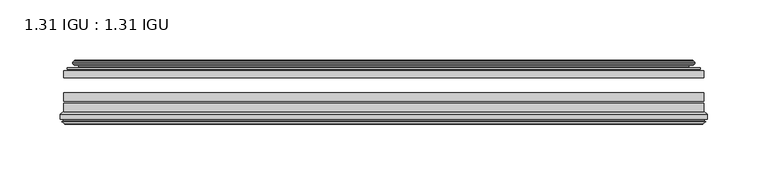
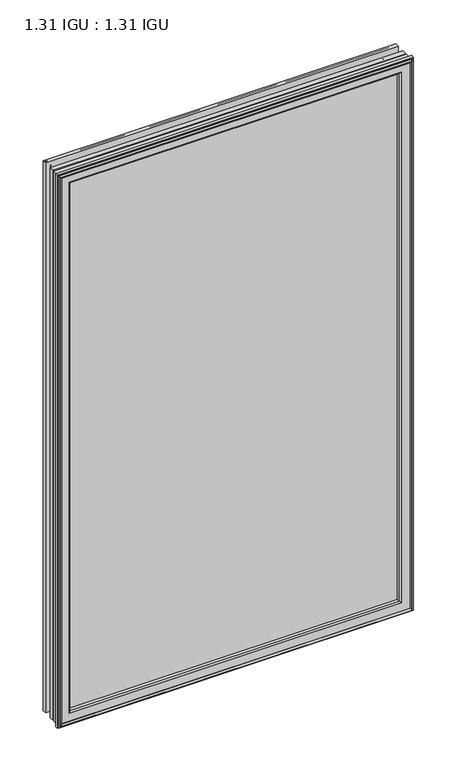
"""IFC4 building model written with IfcOpenShell, lengths in millimetres: plate geometry, 1.31 IGU : 1.31 IGU."""

from ifc_helpers import new_model, si_unit, frame, origin, place, context, project, spatial, polyline, ellipse_curve, outline, extrude, source, transform, mapped, element, save
from ifc_brep_helpers import plane_surface, cylinder_surface, revolved_surface, advanced_brep


def plate_1_31_igu_1_31_igu_58f87985(model_context):
    return source(origin(), model_context, "Body", "SolidModel", [
        extrude(outline(polyline([(265.1078362, -44.8960875), (265.1078362, -50.4332875), (-265.1127713, -50.4332875), (-265.1127713, -44.8960875), (265.1078362, -44.8960875)])), frame((0.0, 0.0, -14.2875), z_axis=(0.0, 0.0, 1.0), x_axis=(1.0, 0.0, 0.0)), (0.0, 0.0, 1.0), 873.125),
        extrude(outline(polyline([(-265.1127713, -78.7796875), (-265.1127713, -71.7692875), (265.1078362, -71.7692875), (265.1078362, -78.7796875), (-265.1127713, -78.7796875)])), frame((0.0, 0.0, -14.2875), z_axis=(0.0, 0.0, 1.0), x_axis=(1.0, 0.0, 0.0)), (0.0, 0.0, 1.0), 873.125),
        extrude(outline(polyline([(-265.1127713, -70.2452875), (-265.1127713, -63.1332875), (265.1078362, -63.1332875), (265.1078362, -70.2452875), (-265.1127713, -70.2452875)])), frame((0.0, 0.0, -14.2875), z_axis=(0.0, 0.0, 1.0), x_axis=(1.0, 0.0, 0.0)), (0.0, 0.0, 1.0), 873.125),
        advanced_brep(
        [(-255.7674468, -37.7373382, 849.4921755), (-250.8258138, -36.3108875, 844.5505426), (-250.8258138, -36.3108875, -0.0005426), (-255.7674468, -37.7373382, -4.9421755), (-255.6023415, -36.9605789, 849.3270702), (-255.6023415, -36.9605789, -4.7770702), (-256.1978272, -36.4771203, 849.9225559), (-256.1978272, -36.4771203, -5.3725559), (-257.462463, -37.766076, 851.1871917), (-257.462463, -37.766076, -6.6371917), (-257.4516462, -38.8797852, 851.1763749), (-257.4516462, -38.8797852, -6.6263749), (-256.170161, -40.1361433, 849.8948897), (-256.170161, -40.1361433, -5.3448897), (-255.5651542, -39.649943, 849.2898829), (-255.5651542, -39.649943, -4.7398829), (-256.1191684, -39.0959287, 849.8438972), (-256.1191684, -39.0959287, -5.2938972), (-253.83336, -38.7029881, 847.5580887), (-253.83336, -38.7029881, -3.0080887), (-252.3742869, -40.2107282, 846.0990157), (-252.3742869, -40.2107282, -1.5490157), (-252.6708689, -41.651269, 846.3955976), (-252.6708689, -41.651269, -1.8455976), (-253.4420933, -42.2798875, 847.1668221), (-253.4420933, -42.2798875, -2.6168221), (-261.7460697, -43.4871542, 855.4707984), (-261.4708682, -42.2798875, 855.1955969), (-261.4708682, -42.2798875, -10.6455969), (-261.7460697, -43.4871542, -10.9207984), (-258.288501, -44.8960875, 852.0132297), (-258.288501, -44.8960875, -7.4632297), (-247.1908772, -44.023302, 840.9156059), (-247.5462152, -44.8960875, 841.2709439), (-247.5462152, -44.8960875, 3.2790561), (-247.1908772, -44.023302, 3.6343941), (-247.8620752, -43.3681812, 841.586804), (-247.8620752, -43.3681812, 2.963196), (-249.5028658, -40.6686056, 843.2275946), (-249.5028658, -40.6686056, 1.3224054), (250.8258138, -36.3108875, -0.0005426), (255.7674468, -37.7373382, -4.9421755), (255.6023415, -36.9605789, -4.7770702), (256.1978272, -36.4771203, -5.3725559), (257.462463, -37.766076, -6.6371917), (257.4516462, -38.8797852, -6.6263749), (256.170161, -40.1361433, -5.3448897), (255.5651542, -39.649943, -4.7398829), (256.1191684, -39.0959287, -5.2938972), (253.83336, -38.7029881, -3.0080887), (252.3742869, -40.2107282, -1.5490157), (252.6708689, -41.651269, -1.8455976), (253.4420933, -42.2798875, -2.6168221), (261.4708682, -42.2798875, -10.6455969), (261.7460697, -43.4871542, -10.9207984), (258.288501, -44.8960875, -7.4632297), (247.5462152, -44.8960875, 3.2790561), (247.1908772, -44.023302, 3.6343941), (247.8620752, -43.3681812, 2.963196), (249.5028658, -40.6686056, 1.3224054), (250.8258138, -36.3108875, 844.5505426), (255.7674468, -37.7373382, 849.4921755), (255.6023415, -36.9605789, 849.3270702), (256.1978272, -36.4771203, 849.9225559), (257.462463, -37.766076, 851.1871917), (257.4516462, -38.8797852, 851.1763749), (256.170161, -40.1361433, 849.8948897), (255.5651542, -39.649943, 849.2898829), (256.1191684, -39.0959287, 849.8438972), (253.83336, -38.7029881, 847.5580887), (252.3742869, -40.2107282, 846.0990157), (252.6708689, -41.651269, 846.3955976), (253.4420933, -42.2798875, 847.1668221), (261.4708682, -42.2798875, 855.1955969), (261.7460697, -43.4871542, 855.4707984), (258.288501, -44.8960875, 852.0132297), (247.5462152, -44.8960875, 841.2709439), (247.1908772, -44.023302, 840.9156059), (247.8620752, -43.3681812, 841.586804), (249.5028658, -40.6686056, 843.2275946)],
        [
            (0, 1),
            (1, 2),
            (2, 3),
            (3, 0),
            (4, 0),
            (3, 5),
            (5, 4),
            (6, 4, ellipse_curve(frame((-255.9228584, -36.746901, 849.6475871), z_axis=(-0.7071067811865475, 0.0, -0.7071067811865475), x_axis=(-0.7071067811865474, 0.0, 0.7071067811865476)), 0.5447741, 0.3852135)),
            (5, 7, ellipse_curve(frame((-255.9228584, -36.746901, -5.0975871), z_axis=(-0.7071067811865475, 0.0, 0.7071067811865475), x_axis=(0.7071067811865474, 0.0, 0.7071067811865476)), 0.5447741, 0.3852135)),
            (7, 6),
            (8, 6),
            (7, 9),
            (9, 8),
            (10, 8, ellipse_curve(frame((-256.9004099, -38.3175243, 850.6251387), z_axis=(-0.7071067811865475, 0.0, -0.7071067811865475), x_axis=(-0.7071067811865474, 0.0, 0.7071067811865476)), 1.1135518, 0.7874)),
            (9, 11, ellipse_curve(frame((-256.9004099, -38.3175243, -6.0751387), z_axis=(-0.7071067811865475, 0.0, 0.7071067811865475), x_axis=(0.7071067811865474, 0.0, 0.7071067811865476)), 1.1135518, 0.7874)),
            (11, 10),
            (12, 10),
            (11, 13),
            (13, 12),
            (14, 12, ellipse_curve(frame((-255.8965635, -39.8570738, 849.6212922), z_axis=(-0.7071067811865475, 0.0, -0.7071067811865475), x_axis=(-0.7071067811865474, 0.0, 0.7071067811865476)), 0.552694, 0.3908137)),
            (13, 15, ellipse_curve(frame((-255.8965635, -39.8570738, -5.0712922), z_axis=(-0.7071067811865475, 0.0, 0.7071067811865475), x_axis=(0.7071067811865474, 0.0, 0.7071067811865476)), 0.552694, 0.3908137)),
            (15, 14),
            (16, 14),
            (15, 17),
            (17, 16),
            (18, 16),
            (17, 19),
            (19, 18),
            (20, 18, ellipse_curve(frame((-253.6181974, -39.954629, 847.3429261), z_axis=(0.7071067811865475, 0.0, 0.7071067811865475), x_axis=(0.7071067811865474, 0.0, -0.7071067811865476)), 1.7960512, 1.27)),
            (19, 21, ellipse_curve(frame((-253.6181974, -39.954629, -2.7929261), z_axis=(0.7071067811865475, 0.0, -0.7071067811865475), x_axis=(-0.7071067811865474, 0.0, -0.7071067811865476)), 1.7960512, 1.27)),
            (21, 20),
            (22, 20),
            (21, 23),
            (23, 22),
            (24, 22, ellipse_curve(frame((-253.4420933, -41.4924875, 847.1668221), z_axis=(0.7071067811865475, 0.0, 0.7071067811865475), x_axis=(0.7071067811865474, 0.0, -0.7071067811865476)), 1.1135518, 0.7874)),
            (23, 25, ellipse_curve(frame((-253.4420933, -41.4924875, -2.6168221), z_axis=(0.7071067811865475, 0.0, -0.7071067811865475), x_axis=(-0.7071067811865474, 0.0, -0.7071067811865476)), 1.1135518, 0.7874)),
            (25, 24),
            (26, 27, ellipse_curve(frame((-261.4708682, -42.9148875, 855.1955969), z_axis=(-0.7071067811865475, 0.0, -0.7071067811865475), x_axis=(-0.7071067811865474, 0.0, 0.7071067811865476)), 0.8980256, 0.635)),
            (27, 28),
            (28, 29, ellipse_curve(frame((-261.4708682, -42.9148875, -10.6455969), z_axis=(-0.7071067811865475, 0.0, 0.7071067811865475), x_axis=(0.7071067811865474, 0.0, 0.7071067811865476)), 0.8980256, 0.635)),
            (29, 26),
            (30, 26),
            (29, 31),
            (31, 30),
            (32, 33, ellipse_curve(frame((-247.5462152, -44.3873602, 841.2709439), z_axis=(-0.7071067811865475, 0.0, -0.7071067811865475), x_axis=(-0.7071067811865474, 0.0, 0.7071067811865476)), 0.719449, 0.5087273)),
            (33, 34),
            (34, 35, ellipse_curve(frame((-247.5462152, -44.3873602, 3.2790561), z_axis=(-0.7071067811865475, 0.0, 0.7071067811865475), x_axis=(0.7071067811865474, 0.0, 0.7071067811865476)), 0.719449, 0.5087273)),
            (35, 32),
            (36, 32),
            (35, 37),
            (37, 36),
            (38, 36, ellipse_curve(frame((-243.426701, -38.823959, 837.1514298), z_axis=(0.7071067811865475, 0.0, 0.7071067811865475), x_axis=(0.7071067811865474, 0.0, -0.7071067811865476)), 8.9802561, 6.35)),
            (37, 39, ellipse_curve(frame((-243.426701, -38.823959, 7.3985702), z_axis=(0.7071067811865475, 0.0, -0.7071067811865475), x_axis=(-0.7071067811865474, 0.0, -0.7071067811865476)), 8.9802561, 6.35)),
            (39, 38),
            (1, 38),
            (39, 2),
            (2, 40),
            (40, 41),
            (41, 3),
            (41, 42),
            (42, 5),
            (42, 43, ellipse_curve(frame((255.9228584, -36.746901, -5.0975871), z_axis=(-0.7071067811865475, 0.0, -0.7071067811865475), x_axis=(-0.7071067811865476, 0.0, 0.7071067811865474)), 0.5447741, 0.3852135)),
            (43, 7),
            (43, 44),
            (44, 9),
            (44, 45, ellipse_curve(frame((256.9004099, -38.3175243, -6.0751387), z_axis=(-0.7071067811865475, 0.0, -0.7071067811865475), x_axis=(-0.7071067811865476, 0.0, 0.7071067811865474)), 1.1135518, 0.7874)),
            (45, 11),
            (45, 46),
            (46, 13),
            (46, 47, ellipse_curve(frame((255.8965635, -39.8570738, -5.0712922), z_axis=(-0.7071067811865475, 0.0, -0.7071067811865475), x_axis=(-0.7071067811865476, 0.0, 0.7071067811865474)), 0.552694, 0.3908137)),
            (47, 15),
            (47, 48),
            (48, 17),
            (48, 49),
            (49, 19),
            (49, 50, ellipse_curve(frame((253.6181974, -39.954629, -2.7929261), z_axis=(0.7071067811865475, 0.0, 0.7071067811865475), x_axis=(0.7071067811865476, 0.0, -0.7071067811865474)), 1.7960512, 1.27)),
            (50, 21),
            (50, 51),
            (51, 23),
            (51, 52, ellipse_curve(frame((253.4420933, -41.4924875, -2.6168221), z_axis=(0.7071067811865475, 0.0, 0.7071067811865475), x_axis=(0.7071067811865476, 0.0, -0.7071067811865474)), 1.1135518, 0.7874)),
            (52, 25),
            (28, 53),
            (53, 54, ellipse_curve(frame((261.4708682, -42.9148875, -10.6455969), z_axis=(-0.7071067811865475, 0.0, -0.7071067811865475), x_axis=(-0.7071067811865476, 0.0, 0.7071067811865474)), 0.8980256, 0.635)),
            (54, 29),
            (54, 55),
            (55, 31),
            (34, 56),
            (56, 57, ellipse_curve(frame((247.5462152, -44.3873602, 3.2790561), z_axis=(-0.7071067811865475, 0.0, -0.7071067811865475), x_axis=(-0.7071067811865476, 0.0, 0.7071067811865474)), 0.719449, 0.5087273)),
            (57, 35),
            (57, 58),
            (58, 37),
            (58, 59, ellipse_curve(frame((243.426701, -38.823959, 7.3985702), z_axis=(0.7071067811865475, 0.0, 0.7071067811865475), x_axis=(0.7071067811865476, 0.0, -0.7071067811865474)), 8.9802561, 6.35)),
            (59, 39),
            (59, 40),
            (40, 60),
            (60, 61),
            (61, 41),
            (61, 62),
            (62, 42),
            (62, 63, ellipse_curve(frame((255.9228584, -36.746901, 849.6475871), z_axis=(0.7071067811865475, 0.0, -0.7071067811865475), x_axis=(-0.7071067811865474, 0.0, -0.7071067811865476)), 0.5447741, 0.3852135)),
            (63, 43),
            (63, 64),
            (64, 44),
            (64, 65, ellipse_curve(frame((256.9004099, -38.3175243, 850.6251387), z_axis=(0.7071067811865475, 0.0, -0.7071067811865475), x_axis=(-0.7071067811865474, 0.0, -0.7071067811865476)), 1.1135518, 0.7874)),
            (65, 45),
            (65, 66),
            (66, 46),
            (66, 67, ellipse_curve(frame((255.8965635, -39.8570738, 849.6212922), z_axis=(0.7071067811865475, 0.0, -0.7071067811865475), x_axis=(-0.7071067811865474, 0.0, -0.7071067811865476)), 0.552694, 0.3908137)),
            (67, 47),
            (67, 68),
            (68, 48),
            (68, 69),
            (69, 49),
            (69, 70, ellipse_curve(frame((253.6181974, -39.954629, 847.3429261), z_axis=(-0.7071067811865475, 0.0, 0.7071067811865475), x_axis=(0.7071067811865474, 0.0, 0.7071067811865476)), 1.7960512, 1.27)),
            (70, 50),
            (70, 71),
            (71, 51),
            (71, 72, ellipse_curve(frame((253.4420933, -41.4924875, 847.1668221), z_axis=(-0.7071067811865475, 0.0, 0.7071067811865475), x_axis=(0.7071067811865474, 0.0, 0.7071067811865476)), 1.1135518, 0.7874)),
            (72, 52),
            (53, 73),
            (73, 74, ellipse_curve(frame((261.4708682, -42.9148875, 855.1955969), z_axis=(0.7071067811865475, 0.0, -0.7071067811865475), x_axis=(-0.7071067811865474, 0.0, -0.7071067811865476)), 0.8980256, 0.635)),
            (74, 54),
            (74, 75),
            (75, 55),
            (56, 76),
            (76, 77, ellipse_curve(frame((247.5462152, -44.3873602, 841.2709439), z_axis=(0.7071067811865475, 0.0, -0.7071067811865475), x_axis=(-0.7071067811865474, 0.0, -0.7071067811865476)), 0.719449, 0.5087273)),
            (77, 57),
            (77, 78),
            (78, 58),
            (78, 79, ellipse_curve(frame((243.426701, -38.823959, 837.1514298), z_axis=(-0.7071067811865475, 0.0, 0.7071067811865475), x_axis=(0.7071067811865474, 0.0, 0.7071067811865476)), 8.9802561, 6.35)),
            (79, 59),
            (79, 60),
            (60, 1),
            (0, 61),
            (4, 62),
            (6, 63),
            (8, 64),
            (10, 65),
            (12, 66),
            (14, 67),
            (16, 68),
            (18, 69),
            (20, 70),
            (22, 71),
            (24, 72),
            (27, 73),
            (26, 74),
            (30, 75),
            (33, 76),
            (32, 77),
            (36, 78),
            (38, 79),
        ],
        [
            plane_surface(frame((-250.8258138, -36.3108875, 844.5505426), z_axis=(-0.2773364928492854, 0.9607728502273877, 0.0), x_axis=(0.0, 0.0, -1.0))),
            plane_surface(frame((-255.7674468, -37.7373382, 849.4921755), z_axis=(0.9781476007338358, -0.2079116908176177, 0.0), x_axis=(0.0, 0.0, -1.0))),
            cylinder_surface(frame((-255.9228584, -36.746901, 876.3), z_axis=(0.0, 0.0, 1.0), x_axis=(-1.0, 0.0, 0.0)), 0.3852135),
            plane_surface(frame((-256.1978272, -36.4771203, 849.9225559), z_axis=(-0.7138087599382162, 0.7003406701280928, 0.0), x_axis=(0.0, 0.0, -1.0))),
            cylinder_surface(frame((-256.9004099, -38.3175243, 876.3), z_axis=(0.0, 0.0, 1.0), x_axis=(-1.0, 0.0, 0.0)), 0.7874),
            plane_surface(frame((-257.4516462, -38.8797852, 851.1763749), z_axis=(-0.7000714109283732, -0.7140728391423082, 0.0), x_axis=(0.0, 0.0, -1.0))),
            cylinder_surface(frame((-255.8965635, -39.8570738, 876.3), z_axis=(0.0, 0.0, 1.0), x_axis=(-1.0, 0.0, 0.0)), 0.3908137),
            plane_surface(frame((-255.5651542, -39.649943, 849.2898829), z_axis=(0.7071067811861126, 0.7071067811869826, 0.0), x_axis=(0.0, 0.0, -1.0))),
            plane_surface(frame((-256.1191684, -39.0959287, 849.8438972), z_axis=(0.16941940671011482, -0.9855440449974789, 0.0), x_axis=(0.0, 0.0, -1.0))),
            revolved_surface(polyline([(-254.88819740000002, -39.954629, -4.0629260828783345), (-254.88819740000002, -39.954629, 848.6129260828783)]), (-253.6181974, -39.954629, 876.3), (0.0, 0.0, -1.0)),
            plane_surface(frame((-252.3742869, -40.2107282, 846.0990157), z_axis=(-0.9794570432566897, 0.201652920670302, 0.0), x_axis=(0.0, 0.0, -1.0))),
            revolved_surface(polyline([(-254.2294933, -41.4924875, -3.4042221289824965), (-254.2294933, -41.4924875, 847.9542221289825)]), (-253.4420933, -41.4924875, 876.3), (0.0, 0.0, -1.0)),
            cylinder_surface(frame((-261.4708682, -42.9148875, 876.3), z_axis=(0.0, 0.0, 1.0), x_axis=(-1.0, 0.0, 0.0)), 0.635),
            plane_surface(frame((-261.7460697, -43.4871542, 855.4707984), z_axis=(-0.37736447542757934, -0.9260648209954139, 0.0), x_axis=(0.0, 0.0, -1.0))),
            cylinder_surface(frame((-247.5462152, -44.3873602, 876.3), z_axis=(0.0, 0.0, 1.0), x_axis=(-1.0, 0.0, 0.0)), 0.5087273),
            plane_surface(frame((-247.1908772, -44.023302, 840.9156059), z_axis=(0.698484125849927, 0.7156255486884628, 0.0), x_axis=(0.0, 0.0, -1.0))),
            revolved_surface(polyline([(-249.776701, -38.823959, 1.0485702148981773), (-249.776701, -38.823959, 843.5014297851018)]), (-243.426701, -38.823959, 876.3), (0.0, 0.0, -1.0)),
            plane_surface(frame((-249.5028658, -40.6686056, 843.2275946), z_axis=(0.9568763473517009, 0.2904955350411895, 0.0), x_axis=(0.0, 0.0, -1.0))),
            plane_surface(frame((-250.8258138, -36.3108875, -0.0005426), z_axis=(0.0, 0.9607728502273868, -0.2773364928492885), x_axis=(1.0, 0.0, 0.0))),
            plane_surface(frame((-255.7674468, -37.7373382, -4.9421755), z_axis=(0.0, -0.20791169081761454, 0.9781476007338364), x_axis=(1.0, 0.0, 0.0))),
            cylinder_surface(frame((-282.5752713, -36.746901, -5.0975871), z_axis=(-1.0, 0.0, 0.0), x_axis=(0.0, 0.0, -1.0)), 0.3852135),
            plane_surface(frame((-256.1978272, -36.4771203, -5.3725559), z_axis=(0.0, 0.7003406701280904, -0.7138087599382185), x_axis=(1.0, 0.0, 0.0))),
            cylinder_surface(frame((-282.5752713, -38.3175243, -6.0751387), z_axis=(-1.0, 0.0, 0.0), x_axis=(0.0, 0.0, -1.0)), 0.7874),
            plane_surface(frame((-257.4516462, -38.8797852, -6.6263749), z_axis=(0.0, -0.7140728391423105, -0.7000714109283709), x_axis=(1.0, 0.0, 0.0))),
            cylinder_surface(frame((-282.5752713, -39.8570738, -5.0712922), z_axis=(-1.0, 0.0, 0.0), x_axis=(0.0, 0.0, -1.0)), 0.3908137),
            plane_surface(frame((-255.5651542, -39.649943, -4.7398829), z_axis=(0.0, 0.7071067811869849, 0.7071067811861103), x_axis=(1.0, 0.0, 0.0))),
            plane_surface(frame((-256.1191684, -39.0959287, -5.2938972), z_axis=(0.0, -0.9855440449974784, 0.16941940671011801), x_axis=(1.0, 0.0, 0.0))),
            revolved_surface(polyline([(254.88819738287833, -39.954629, -4.0629261), (-254.88819738287825, -39.954629, -4.0629261)]), (-282.5752713, -39.954629, -2.7929261), (1.0, 0.0, 0.0)),
            plane_surface(frame((-252.3742869, -40.2107282, -1.5490157), z_axis=(0.0, 0.20165292067029883, -0.9794570432566904), x_axis=(1.0, 0.0, 0.0))),
            revolved_surface(polyline([(254.22949332898253, -41.4924875, -3.4042220999999997), (-254.2294933289825, -41.4924875, -3.4042220999999997)]), (-282.5752713, -41.4924875, -2.6168221), (1.0, 0.0, 0.0)),
            cylinder_surface(frame((-282.5752713, -42.9148875, -10.6455969), z_axis=(-1.0, 0.0, 0.0), x_axis=(0.0, 0.0, -1.0)), 0.635),
            plane_surface(frame((-261.7460697, -43.4871542, -10.9207984), z_axis=(0.0, -0.9260648209954151, -0.37736447542757634), x_axis=(1.0, 0.0, 0.0))),
            cylinder_surface(frame((-282.5752713, -44.3873602, 3.2790561), z_axis=(-1.0, 0.0, 0.0), x_axis=(0.0, 0.0, -1.0)), 0.5087273),
            plane_surface(frame((-247.1908772, -44.023302, 3.6343941), z_axis=(0.0, 0.7156255486884651, 0.6984841258499247), x_axis=(1.0, 0.0, 0.0))),
            revolved_surface(polyline([(249.77670098510185, -38.823959, 1.0485702000000003), (-249.77670098510185, -38.823959, 1.0485702000000003)]), (-282.5752713, -38.823959, 7.3985702), (1.0, 0.0, 0.0)),
            plane_surface(frame((-249.5028658, -40.6686056, 1.3224054), z_axis=(0.0, 0.29049553504119263, 0.9568763473517), x_axis=(1.0, 0.0, 0.0))),
            plane_surface(frame((250.8258138, -36.3108875, -0.0005426), z_axis=(0.2773364928492916, 0.9607728502273859, 0.0), x_axis=(0.0, 0.0, 1.0))),
            plane_surface(frame((255.7674468, -37.7373382, -4.9421755), z_axis=(-0.9781476007338371, -0.20791169081761138, 0.0), x_axis=(0.0, 0.0, 1.0))),
            cylinder_surface(frame((255.9228584, -36.746901, -31.75), z_axis=(0.0, 0.0, -1.0), x_axis=(1.0, 0.0, 0.0)), 0.3852135),
            plane_surface(frame((256.1978272, -36.4771203, -5.3725559), z_axis=(0.7138087599382208, 0.7003406701280882, 0.0), x_axis=(0.0, 0.0, 1.0))),
            cylinder_surface(frame((256.9004099, -38.3175243, -31.75), z_axis=(0.0, 0.0, -1.0), x_axis=(1.0, 0.0, 0.0)), 0.7874),
            plane_surface(frame((257.4516462, -38.8797852, -6.6263749), z_axis=(0.7000714109283687, -0.7140728391423128, 0.0), x_axis=(0.0, 0.0, 1.0))),
            cylinder_surface(frame((255.8965635, -39.8570738, -31.75), z_axis=(0.0, 0.0, -1.0), x_axis=(1.0, 0.0, 0.0)), 0.3908137),
            plane_surface(frame((255.5651542, -39.649943, -4.7398829), z_axis=(-0.7071067811861079, 0.7071067811869872, 0.0), x_axis=(0.0, 0.0, 1.0))),
            plane_surface(frame((256.1191684, -39.0959287, -5.2938972), z_axis=(-0.1694194067101212, -0.9855440449974778, 0.0), x_axis=(0.0, 0.0, 1.0))),
            revolved_surface(polyline([(254.88819740000002, -39.954629, 848.6129260828783), (254.88819740000002, -39.954629, -4.062926082878235)]), (253.6181974, -39.954629, -31.75), (0.0, 0.0, 1.0)),
            plane_surface(frame((252.3742869, -40.2107282, -1.5490157), z_axis=(0.979457043256691, 0.20165292067029567, 0.0), x_axis=(0.0, 0.0, 1.0))),
            revolved_surface(polyline([(254.2294933, -41.4924875, 847.9542221289825), (254.2294933, -41.4924875, -3.404222128982486)]), (253.4420933, -41.4924875, -31.75), (0.0, 0.0, 1.0)),
            cylinder_surface(frame((261.4708682, -42.9148875, -31.75), z_axis=(0.0, 0.0, -1.0), x_axis=(1.0, 0.0, 0.0)), 0.635),
            plane_surface(frame((261.7460697, -43.4871542, -10.9207984), z_axis=(0.37736447542757334, -0.9260648209954163, 0.0), x_axis=(0.0, 0.0, 1.0))),
            cylinder_surface(frame((247.5462152, -44.3873602, -31.75), z_axis=(0.0, 0.0, -1.0), x_axis=(1.0, 0.0, 0.0)), 0.5087273),
            plane_surface(frame((247.1908772, -44.023302, 3.6343941), z_axis=(-0.6984841258499224, 0.7156255486884673, 0.0), x_axis=(0.0, 0.0, 1.0))),
            revolved_surface(polyline([(249.776701, -38.823959, 843.5014297851018), (249.776701, -38.823959, 1.0485702148981417)]), (243.426701, -38.823959, -31.75), (0.0, 0.0, 1.0)),
            plane_surface(frame((249.5028658, -40.6686056, 1.3224054), z_axis=(-0.9568763473516991, 0.29049553504119574, 0.0), x_axis=(0.0, 0.0, 1.0))),
            plane_surface(frame((250.8258138, -36.3108875, 844.5505426), z_axis=(0.0, 0.9607728502273868, 0.2773364928492885), x_axis=(-1.0, 0.0, 0.0))),
            plane_surface(frame((255.7674468, -37.7373382, 849.4921755), z_axis=(0.0, -0.20791169081761454, -0.9781476007338364), x_axis=(-1.0, 0.0, 0.0))),
            cylinder_surface(frame((282.5752713, -36.746901, 849.6475871), z_axis=(1.0, 0.0, 0.0), x_axis=(0.0, 0.0, 1.0)), 0.3852135),
            plane_surface(frame((256.1978272, -36.4771203, 849.9225559), z_axis=(0.0, 0.7003406701280904, 0.7138087599382185), x_axis=(-1.0, 0.0, 0.0))),
            cylinder_surface(frame((282.5752713, -38.3175243, 850.6251387), z_axis=(1.0, 0.0, 0.0), x_axis=(0.0, 0.0, 1.0)), 0.7874),
            plane_surface(frame((257.4516462, -38.8797852, 851.1763749), z_axis=(0.0, -0.7140728391423106, 0.700071410928371), x_axis=(-1.0, 0.0, 0.0))),
            cylinder_surface(frame((282.5752713, -39.8570738, 849.6212922), z_axis=(1.0, 0.0, 0.0), x_axis=(0.0, 0.0, 1.0)), 0.3908137),
            plane_surface(frame((255.5651542, -39.649943, 849.2898829), z_axis=(0.0, 0.7071067811869849, -0.7071067811861103), x_axis=(-1.0, 0.0, 0.0))),
            plane_surface(frame((256.1191684, -39.0959287, 849.8438972), z_axis=(0.0, -0.9855440449974784, -0.16941940671011801), x_axis=(-1.0, 0.0, 0.0))),
            revolved_surface(polyline([(-254.88819738287833, -39.954629, 848.6129261), (254.88819738287825, -39.954629, 848.6129261)]), (282.5752713, -39.954629, 847.3429261), (-1.0, 0.0, 0.0)),
            plane_surface(frame((252.3742869, -40.2107282, 846.0990157), z_axis=(0.0, 0.20165292067029883, 0.9794570432566904), x_axis=(-1.0, 0.0, 0.0))),
            revolved_surface(polyline([(-254.22949332898253, -41.4924875, 847.9542221), (254.2294933289825, -41.4924875, 847.9542221)]), (282.5752713, -41.4924875, 847.1668221), (-1.0, 0.0, 0.0)),
            plane_surface(frame((253.4420933, -42.2798875, 847.1668221), z_axis=(0.0, 1.0, 0.0), x_axis=(-1.0, 0.0, 0.0))),
            cylinder_surface(frame((282.5752713, -42.9148875, 855.1955969), z_axis=(1.0, 0.0, 0.0), x_axis=(0.0, 0.0, 1.0)), 0.635),
            plane_surface(frame((261.7460697, -43.4871542, 855.4707984), z_axis=(0.0, -0.9260648209954151, 0.37736447542757634), x_axis=(-1.0, 0.0, 0.0))),
            plane_surface(frame((258.288501, -44.8960875, 852.0132297), z_axis=(0.0, -1.0, 0.0), x_axis=(-1.0, 0.0, 0.0))),
            cylinder_surface(frame((282.5752713, -44.3873602, 841.2709439), z_axis=(1.0, 0.0, 0.0), x_axis=(0.0, 0.0, 1.0)), 0.5087273),
            plane_surface(frame((247.1908772, -44.023302, 840.9156059), z_axis=(0.0, 0.7156255486884651, -0.6984841258499247), x_axis=(-1.0, 0.0, 0.0))),
            revolved_surface(polyline([(-249.77670098510185, -38.823959, 843.5014298), (249.77670098510185, -38.823959, 843.5014298)]), (282.5752713, -38.823959, 837.1514298), (-1.0, 0.0, 0.0)),
            plane_surface(frame((249.5028658, -40.6686056, 843.2275946), z_axis=(0.0, 0.29049553504119263, -0.9568763473517), x_axis=(-1.0, 0.0, 0.0))),
        ],
        [
            (0, [[1, 2, 3, 4]]),
            (1, [[5, -4, 6, 7]]),
            (2, [[8, -7, 9, 10]]),
            (3, [[11, -10, 12, 13]]),
            (4, [[14, -13, 15, 16]]),
            (5, [[17, -16, 18, 19]]),
            (6, [[20, -19, 21, 22]]),
            (7, [[23, -22, 24, 25]]),
            (8, [[26, -25, 27, 28]]),
            (9, [[29, -28, 30, 31]]),
            (10, [[32, -31, 33, 34]]),
            (11, [[35, -34, 36, 37]]),
            (12, [[38, 39, 40, 41]]),
            (13, [[42, -41, 43, 44]]),
            (14, [[45, 46, 47, 48]]),
            (15, [[49, -48, 50, 51]]),
            (16, [[52, -51, 53, 54]]),
            (17, [[55, -54, 56, -2]]),
            (18, [[-3, 57, 58, 59]]),
            (19, [[-6, -59, 60, 61]]),
            (20, [[-9, -61, 62, 63]]),
            (21, [[-12, -63, 64, 65]]),
            (22, [[-15, -65, 66, 67]]),
            (23, [[-18, -67, 68, 69]]),
            (24, [[-21, -69, 70, 71]]),
            (25, [[-24, -71, 72, 73]]),
            (26, [[-27, -73, 74, 75]]),
            (27, [[-30, -75, 76, 77]]),
            (28, [[-33, -77, 78, 79]]),
            (29, [[-36, -79, 80, 81]]),
            (30, [[-40, 82, 83, 84]]),
            (31, [[-43, -84, 85, 86]]),
            (32, [[-47, 87, 88, 89]]),
            (33, [[-50, -89, 90, 91]]),
            (34, [[-53, -91, 92, 93]]),
            (35, [[-56, -93, 94, -57]]),
            (36, [[-58, 95, 96, 97]]),
            (37, [[-60, -97, 98, 99]]),
            (38, [[-62, -99, 100, 101]]),
            (39, [[-64, -101, 102, 103]]),
            (40, [[-66, -103, 104, 105]]),
            (41, [[-68, -105, 106, 107]]),
            (42, [[-70, -107, 108, 109]]),
            (43, [[-72, -109, 110, 111]]),
            (44, [[-74, -111, 112, 113]]),
            (45, [[-76, -113, 114, 115]]),
            (46, [[-78, -115, 116, 117]]),
            (47, [[-80, -117, 118, 119]]),
            (48, [[-83, 120, 121, 122]]),
            (49, [[-85, -122, 123, 124]]),
            (50, [[-88, 125, 126, 127]]),
            (51, [[-90, -127, 128, 129]]),
            (52, [[-92, -129, 130, 131]]),
            (53, [[-94, -131, 132, -95]]),
            (54, [[-96, 133, -1, 134]]),
            (55, [[-98, -134, -5, 135]]),
            (56, [[-100, -135, -8, 136]]),
            (57, [[-102, -136, -11, 137]]),
            (58, [[-104, -137, -14, 138]]),
            (59, [[-106, -138, -17, 139]]),
            (60, [[-108, -139, -20, 140]]),
            (61, [[-110, -140, -23, 141]]),
            (62, [[-112, -141, -26, 142]]),
            (63, [[-114, -142, -29, 143]]),
            (64, [[-116, -143, -32, 144]]),
            (65, [[-118, -144, -35, 145]]),
            (66, [[146, -120, -82, -39], [-81, -119, -145, -37]]),
            (67, [[-121, -146, -38, 147]]),
            (68, [[-123, -147, -42, 148]]),
            (69, [[-86, -124, -148, -44], [149, -125, -87, -46]]),
            (70, [[-126, -149, -45, 150]]),
            (71, [[-128, -150, -49, 151]]),
            (72, [[-130, -151, -52, 152]]),
            (73, [[-132, -152, -55, -133]]),
        ],
    ),
        advanced_brep(
        [(-248.1377207, -83.3389875, 841.8624494), (-249.9127868, -85.1296875, 843.6375155), (-249.9127868, -85.1296875, 0.9124845), (-248.1377207, -83.3389875, 2.6875506), (-247.1145114, -78.7796875, 840.8392401), (-247.1145114, -78.7796875, 3.7107599), (-267.6952204, -80.9740477, 861.4199491), (-265.5008601, -78.7796875, 859.2255889), (-265.5008601, -78.7796875, -14.6755889), (-267.6952204, -80.9740477, -16.8699491), (-267.6952204, -85.1296875, 861.4199491), (-267.6952204, -85.1296875, -16.8699491), (-265.1701602, -86.3747112, 858.8948889), (-265.9213872, -85.1296875, 859.6461159), (-265.9213872, -85.1296875, -15.0961159), (-265.1701602, -86.3747112, -14.3448889), (-264.8606311, -87.6502863, 858.5853598), (-264.8606311, -87.6502863, -14.0353598), (-265.8787445, -87.2076396, 859.6034732), (-265.8787445, -87.2076396, -15.0534732), (-264.1917551, -88.8840626, 857.9164838), (-266.6734545, -87.2076396, 860.3981832), (-266.6734545, -87.2076396, -15.8481832), (-264.1917551, -88.8840626, -13.3664838), (-262.0399297, -86.9401656, 855.7646584), (-262.0399297, -86.9401656, -11.2146584), (-263.7472839, -87.5528811, 857.4720126), (-262.8215027, -86.9401656, 856.5462314), (-262.8215027, -86.9401656, -11.9962314), (-263.7472839, -87.5528811, -12.9220126), (-263.6639585, -86.2429356, 857.3886873), (-263.6639585, -86.2429356, -12.8386873), (-263.0657205, -85.1296875, 856.7904492), (-263.0657205, -85.1296875, -12.2404492), (249.9127868, -85.1296875, 0.9124845), (248.1377207, -83.3389875, 2.6875506), (247.1145114, -78.7796875, 3.7107599), (265.5008601, -78.7796875, -14.6755889), (267.6952204, -80.9740477, -16.8699491), (267.6952204, -85.1296875, -16.8699491), (265.9213872, -85.1296875, -15.0961159), (265.1701602, -86.3747112, -14.3448889), (264.8606311, -87.6502863, -14.0353598), (265.8787445, -87.2076396, -15.0534732), (266.6734545, -87.2076396, -15.8481832), (264.1917551, -88.8840626, -13.3664838), (262.0399297, -86.9401656, -11.2146584), (262.8215027, -86.9401656, -11.9962314), (263.7472839, -87.5528811, -12.9220126), (263.6639585, -86.2429356, -12.8386873), (263.0657205, -85.1296875, -12.2404492), (249.9127868, -85.1296875, 843.6375155), (248.1377207, -83.3389875, 841.8624494), (247.1145114, -78.7796875, 840.8392401), (265.5008601, -78.7796875, 859.2255889), (267.6952204, -80.9740477, 861.4199491), (267.6952204, -85.1296875, 861.4199491), (265.9213872, -85.1296875, 859.6461159), (265.1701602, -86.3747112, 858.8948889), (264.8606311, -87.6502863, 858.5853598), (265.8787445, -87.2076396, 859.6034732), (266.6734545, -87.2076396, 860.3981832), (264.1917551, -88.8840626, 857.9164838), (262.0399297, -86.9401656, 855.7646584), (262.8215027, -86.9401656, 856.5462314), (263.7472839, -87.5528811, 857.4720126), (263.6639585, -86.2429356, 857.3886873), (263.0657205, -85.1296875, 856.7904492)],
        [
            (0, 1, ellipse_curve(frame((-250.1642218, -83.1053133, 843.8889505), z_axis=(-0.7071067811865475, 0.0, -0.7071067811865475), x_axis=(-0.7071067811865474, 0.0, 0.7071067811865476)), 2.8848953, 2.039929)),
            (1, 2),
            (2, 3, ellipse_curve(frame((-250.1642218, -83.1053133, 0.6610495), z_axis=(-0.7071067811865475, 0.0, 0.7071067811865475), x_axis=(0.7071067811865474, 0.0, 0.7071067811865476)), 2.8848953, 2.039929)),
            (3, 0),
            (4, 0),
            (3, 5),
            (5, 4),
            (6, 7),
            (7, 8),
            (8, 9),
            (9, 6),
            (10, 6),
            (9, 11),
            (11, 10),
            (12, 13),
            (13, 14),
            (14, 15),
            (15, 12),
            (16, 12),
            (15, 17),
            (17, 16),
            (18, 16),
            (17, 19),
            (19, 18),
            (20, 21),
            (21, 22),
            (22, 23),
            (23, 20),
            (24, 20),
            (23, 25),
            (25, 24),
            (26, 27),
            (27, 28),
            (28, 29),
            (29, 26),
            (30, 26),
            (29, 31),
            (31, 30),
            (32, 30),
            (31, 33),
            (33, 32),
            (2, 34),
            (34, 35, ellipse_curve(frame((250.1642218, -83.1053133, 0.6610495), z_axis=(-0.7071067811865475, 0.0, -0.7071067811865475), x_axis=(-0.7071067811865476, 0.0, 0.7071067811865474)), 2.8848953, 2.039929)),
            (35, 3),
            (35, 36),
            (36, 5),
            (8, 37),
            (37, 38),
            (38, 9),
            (38, 39),
            (39, 11),
            (14, 40),
            (40, 41),
            (41, 15),
            (41, 42),
            (42, 17),
            (42, 43),
            (43, 19),
            (22, 44),
            (44, 45),
            (45, 23),
            (45, 46),
            (46, 25),
            (28, 47),
            (47, 48),
            (48, 29),
            (48, 49),
            (49, 31),
            (49, 50),
            (50, 33),
            (34, 51),
            (51, 52, ellipse_curve(frame((250.1642218, -83.1053133, 843.8889505), z_axis=(0.7071067811865475, 0.0, -0.7071067811865475), x_axis=(-0.7071067811865474, 0.0, -0.7071067811865476)), 2.8848953, 2.039929)),
            (52, 35),
            (52, 53),
            (53, 36),
            (37, 54),
            (54, 55),
            (55, 38),
            (55, 56),
            (56, 39),
            (40, 57),
            (57, 58),
            (58, 41),
            (58, 59),
            (59, 42),
            (59, 60),
            (60, 43),
            (44, 61),
            (61, 62),
            (62, 45),
            (62, 63),
            (63, 46),
            (47, 64),
            (64, 65),
            (65, 48),
            (65, 66),
            (66, 49),
            (66, 67),
            (67, 50),
            (51, 1),
            (0, 52),
            (4, 53),
            (7, 54),
            (6, 55),
            (10, 56),
            (13, 57),
            (12, 58),
            (16, 59),
            (18, 60),
            (21, 61),
            (20, 62),
            (24, 63),
            (27, 64),
            (26, 65),
            (30, 66),
            (32, 67),
        ],
        [
            cylinder_surface(frame((-250.1642218, -83.1053133, 876.3), z_axis=(0.0, 0.0, 1.0), x_axis=(-1.0, 0.0, 0.0)), 2.039929),
            plane_surface(frame((-248.1377207, -83.3389875, 841.8624494), z_axis=(0.9757302952562701, -0.2189757770145185, 0.0), x_axis=(0.0, 0.0, -1.0))),
            plane_surface(frame((-265.5008601, -78.7796875, 859.2255889), z_axis=(-0.7071067811871722, 0.7071067811859229, 0.0), x_axis=(0.0, 0.0, -1.0))),
            plane_surface(frame((-267.6952204, -80.9740477, 861.4199491), z_axis=(-1.0, 0.0, 0.0), x_axis=(0.0, 0.0, -1.0))),
            plane_surface(frame((-265.9213872, -85.1296875, 859.6461159), z_axis=(-0.8562121193263807, -0.516624434883434, 0.0), x_axis=(0.0, 0.0, -1.0))),
            plane_surface(frame((-265.1701602, -86.3747112, 858.8948889), z_axis=(-0.9717979666139347, -0.23581499546259124, 0.0), x_axis=(0.0, 0.0, -1.0))),
            plane_surface(frame((-264.8606311, -87.6502863, 858.5853598), z_axis=(0.3987175451776161, 0.9170737806564615, 0.0), x_axis=(0.0, 0.0, -1.0))),
            plane_surface(frame((-266.6734545, -87.2076396, 860.3981832), z_axis=(-0.5597655002239059, -0.8286510633306884, 0.0), x_axis=(0.0, 0.0, -1.0))),
            plane_surface(frame((-264.1917551, -88.8840626, 857.9164838), z_axis=(0.670345652676111, -0.7420489916024674, 0.0), x_axis=(0.0, 0.0, -1.0))),
            plane_surface(frame((-262.8215027, -86.9401656, 856.5462314), z_axis=(-0.5519083205498945, 0.8339047941508642, 0.0), x_axis=(0.0, 0.0, -1.0))),
            plane_surface(frame((-263.7472839, -87.5528811, 857.4720126), z_axis=(0.9979830161114805, -0.06348148984572213, 0.0), x_axis=(0.0, 0.0, -1.0))),
            plane_surface(frame((-263.6639585, -86.2429356, 857.3886873), z_axis=(0.8808682216207324, -0.47336157019632297, 0.0), x_axis=(0.0, 0.0, -1.0))),
            cylinder_surface(frame((-282.5752713, -83.1053133, 0.6610495), z_axis=(-1.0, 0.0, 0.0), x_axis=(0.0, 0.0, -1.0)), 2.039929),
            plane_surface(frame((-248.1377207, -83.3389875, 2.6875506), z_axis=(0.0, -0.21897577701451534, 0.9757302952562708), x_axis=(1.0, 0.0, 0.0))),
            plane_surface(frame((-265.5008601, -78.7796875, -14.6755889), z_axis=(0.0, 0.7071067811859205, -0.7071067811871745), x_axis=(1.0, 0.0, 0.0))),
            plane_surface(frame((-267.6952204, -80.9740477, -16.8699491), z_axis=(0.0, 0.0, -1.0), x_axis=(1.0, 0.0, 0.0))),
            plane_surface(frame((-265.9213872, -85.1296875, -15.0961159), z_axis=(0.0, -0.5166244348834368, -0.8562121193263791), x_axis=(1.0, 0.0, 0.0))),
            plane_surface(frame((-265.1701602, -86.3747112, -14.3448889), z_axis=(0.0, -0.23581499546259438, -0.9717979666139339), x_axis=(1.0, 0.0, 0.0))),
            plane_surface(frame((-264.8606311, -87.6502863, -14.0353598), z_axis=(0.0, 0.9170737806564628, 0.39871754517761315), x_axis=(1.0, 0.0, 0.0))),
            plane_surface(frame((-266.6734545, -87.2076396, -15.8481832), z_axis=(0.0, -0.8286510633306902, -0.5597655002239033), x_axis=(1.0, 0.0, 0.0))),
            plane_surface(frame((-264.1917551, -88.8840626, -13.3664838), z_axis=(0.0, -0.7420489916024652, 0.6703456526761135), x_axis=(1.0, 0.0, 0.0))),
            plane_surface(frame((-262.8215027, -86.9401656, -11.9962314), z_axis=(0.0, 0.8339047941508624, -0.5519083205498971), x_axis=(1.0, 0.0, 0.0))),
            plane_surface(frame((-263.7472839, -87.5528811, -12.9220126), z_axis=(0.0, -0.0634814898457189, 0.9979830161114808), x_axis=(1.0, 0.0, 0.0))),
            plane_surface(frame((-263.6639585, -86.2429356, -12.8386873), z_axis=(0.0, -0.47336157019632014, 0.880868221620734), x_axis=(1.0, 0.0, 0.0))),
            cylinder_surface(frame((250.1642218, -83.1053133, -31.75), z_axis=(0.0, 0.0, -1.0), x_axis=(1.0, 0.0, 0.0)), 2.039929),
            plane_surface(frame((248.1377207, -83.3389875, 2.6875506), z_axis=(-0.9757302952562714, -0.21897577701451218, 0.0), x_axis=(0.0, 0.0, 1.0))),
            plane_surface(frame((265.5008601, -78.7796875, -14.6755889), z_axis=(0.7071067811871768, 0.7071067811859182, 0.0), x_axis=(0.0, 0.0, 1.0))),
            plane_surface(frame((267.6952204, -80.9740477, -16.8699491), z_axis=(1.0, 0.0, 0.0), x_axis=(0.0, 0.0, 1.0))),
            plane_surface(frame((265.9213872, -85.1296875, -15.0961159), z_axis=(0.8562121193263774, -0.5166244348834396, 0.0), x_axis=(0.0, 0.0, 1.0))),
            plane_surface(frame((265.1701602, -86.3747112, -14.3448889), z_axis=(0.9717979666139331, -0.23581499546259752, 0.0), x_axis=(0.0, 0.0, 1.0))),
            plane_surface(frame((264.8606311, -87.6502863, -14.0353598), z_axis=(-0.3987175451776102, 0.9170737806564642, 0.0), x_axis=(0.0, 0.0, 1.0))),
            plane_surface(frame((266.6734545, -87.2076396, -15.8481832), z_axis=(0.5597655002239006, -0.8286510633306919, 0.0), x_axis=(0.0, 0.0, 1.0))),
            plane_surface(frame((264.1917551, -88.8840626, -13.3664838), z_axis=(-0.6703456526761159, -0.742048991602463, 0.0), x_axis=(0.0, 0.0, 1.0))),
            plane_surface(frame((262.8215027, -86.9401656, -11.9962314), z_axis=(0.5519083205498998, 0.8339047941508606, 0.0), x_axis=(0.0, 0.0, 1.0))),
            plane_surface(frame((263.7472839, -87.5528811, -12.9220126), z_axis=(-0.997983016111481, -0.06348148984571567, 0.0), x_axis=(0.0, 0.0, 1.0))),
            plane_surface(frame((263.6639585, -86.2429356, -12.8386873), z_axis=(-0.8808682216207355, -0.4733615701963173, 0.0), x_axis=(0.0, 0.0, 1.0))),
            cylinder_surface(frame((282.5752713, -83.1053133, 843.8889505), z_axis=(1.0, 0.0, 0.0), x_axis=(0.0, 0.0, 1.0)), 2.039929),
            plane_surface(frame((248.1377207, -83.3389875, 841.8624494), z_axis=(0.0, -0.21897577701451534, -0.9757302952562708), x_axis=(-1.0, 0.0, 0.0))),
            plane_surface(frame((247.1145114, -78.7796875, 840.8392401), z_axis=(0.0, 1.0, 0.0), x_axis=(-1.0, 0.0, 0.0))),
            plane_surface(frame((265.5008601, -78.7796875, 859.2255889), z_axis=(0.0, 0.7071067811859205, 0.7071067811871745), x_axis=(-1.0, 0.0, 0.0))),
            plane_surface(frame((267.6952204, -80.9740477, 861.4199491), z_axis=(0.0, 0.0, 1.0), x_axis=(-1.0, 0.0, 0.0))),
            plane_surface(frame((267.6952204, -85.1296875, 861.4199491), z_axis=(0.0, -1.0, 0.0), x_axis=(-1.0, 0.0, 0.0))),
            plane_surface(frame((265.9213872, -85.1296875, 859.6461159), z_axis=(0.0, -0.5166244348834368, 0.8562121193263791), x_axis=(-1.0, 0.0, 0.0))),
            plane_surface(frame((265.1701602, -86.3747112, 858.8948889), z_axis=(0.0, -0.23581499546259438, 0.9717979666139339), x_axis=(-1.0, 0.0, 0.0))),
            plane_surface(frame((264.8606311, -87.6502863, 858.5853598), z_axis=(0.0, 0.9170737806564628, -0.39871754517761315), x_axis=(-1.0, 0.0, 0.0))),
            plane_surface(frame((265.8787445, -87.2076396, 859.6034732), z_axis=(0.0, 1.0, 0.0), x_axis=(-1.0, 0.0, 0.0))),
            plane_surface(frame((266.6734545, -87.2076396, 860.3981832), z_axis=(0.0, -0.8286510633306902, 0.5597655002239033), x_axis=(-1.0, 0.0, 0.0))),
            plane_surface(frame((264.1917551, -88.8840626, 857.9164838), z_axis=(0.0, -0.7420489916024652, -0.6703456526761135), x_axis=(-1.0, 0.0, 0.0))),
            plane_surface(frame((262.0399297, -86.9401656, 855.7646584), z_axis=(0.0, 1.0, 0.0), x_axis=(-1.0, 0.0, 0.0))),
            plane_surface(frame((262.8215027, -86.9401656, 856.5462314), z_axis=(0.0, 0.8339047941508624, 0.5519083205498971), x_axis=(-1.0, 0.0, 0.0))),
            plane_surface(frame((263.7472839, -87.5528811, 857.4720126), z_axis=(0.0, -0.0634814898457189, -0.9979830161114808), x_axis=(-1.0, 0.0, 0.0))),
            plane_surface(frame((263.6639585, -86.2429356, 857.3886873), z_axis=(0.0, -0.47336157019632014, -0.880868221620734), x_axis=(-1.0, 0.0, 0.0))),
            plane_surface(frame((263.0657205, -85.1296875, 856.7904492), z_axis=(0.0, -1.0, 0.0), x_axis=(-1.0, 0.0, 0.0))),
        ],
        [
            (0, [[1, 2, 3, 4]]),
            (1, [[5, -4, 6, 7]]),
            (2, [[8, 9, 10, 11]]),
            (3, [[12, -11, 13, 14]]),
            (4, [[15, 16, 17, 18]]),
            (5, [[19, -18, 20, 21]]),
            (6, [[22, -21, 23, 24]]),
            (7, [[25, 26, 27, 28]]),
            (8, [[29, -28, 30, 31]]),
            (9, [[32, 33, 34, 35]]),
            (10, [[36, -35, 37, 38]]),
            (11, [[39, -38, 40, 41]]),
            (12, [[-3, 42, 43, 44]]),
            (13, [[-6, -44, 45, 46]]),
            (14, [[-10, 47, 48, 49]]),
            (15, [[-13, -49, 50, 51]]),
            (16, [[-17, 52, 53, 54]]),
            (17, [[-20, -54, 55, 56]]),
            (18, [[-23, -56, 57, 58]]),
            (19, [[-27, 59, 60, 61]]),
            (20, [[-30, -61, 62, 63]]),
            (21, [[-34, 64, 65, 66]]),
            (22, [[-37, -66, 67, 68]]),
            (23, [[-40, -68, 69, 70]]),
            (24, [[-43, 71, 72, 73]]),
            (25, [[-45, -73, 74, 75]]),
            (26, [[-48, 76, 77, 78]]),
            (27, [[-50, -78, 79, 80]]),
            (28, [[-53, 81, 82, 83]]),
            (29, [[-55, -83, 84, 85]]),
            (30, [[-57, -85, 86, 87]]),
            (31, [[-60, 88, 89, 90]]),
            (32, [[-62, -90, 91, 92]]),
            (33, [[-65, 93, 94, 95]]),
            (34, [[-67, -95, 96, 97]]),
            (35, [[-69, -97, 98, 99]]),
            (36, [[-72, 100, -1, 101]]),
            (37, [[-74, -101, -5, 102]]),
            (38, [[103, -76, -47, -9], [-46, -75, -102, -7]]),
            (39, [[-77, -103, -8, 104]]),
            (40, [[-79, -104, -12, 105]]),
            (41, [[-51, -80, -105, -14], [106, -81, -52, -16]]),
            (42, [[-82, -106, -15, 107]]),
            (43, [[-84, -107, -19, 108]]),
            (44, [[-86, -108, -22, 109]]),
            (45, [[110, -88, -59, -26], [-58, -87, -109, -24]]),
            (46, [[-89, -110, -25, 111]]),
            (47, [[-91, -111, -29, 112]]),
            (48, [[113, -93, -64, -33], [-63, -92, -112, -31]]),
            (49, [[-94, -113, -32, 114]]),
            (50, [[-96, -114, -36, 115]]),
            (51, [[-98, -115, -39, 116]]),
            (52, [[-70, -99, -116, -41], [-100, -71, -42, -2]]),
        ],
    ),
    ])


if __name__ == "__main__":
    model = new_model("IFC4")
    model_context = context("Model", 3, world=origin())
    ifc_project = project(units=[si_unit("LENGTHUNIT", "METRE", prefix="MILLI")], contexts=[model_context])
    site = spatial("IfcSite", under=ifc_project)
    building = spatial("IfcBuilding", under=site)
    placement = place(None, origin())
    plate_1_31_igu_1_31_igu_shape = plate_1_31_igu_1_31_igu_58f87985(model_context)
    element("IfcPlate", 1, ObjectType="1.31 IGU : 1.31 IGU", at=placement, inside=building, context=model_context, shape_type="MappedRepresentation", body=[
        mapped(plate_1_31_igu_1_31_igu_shape, transform((0.0, 0.0, 0.0), x_axis=(1.0, 0.0, 0.0), y_axis=(0.0, 1.0, 0.0), z_axis=(0.0, 0.0, 1.0))),
    ])
    save(model, "model.ifc")
